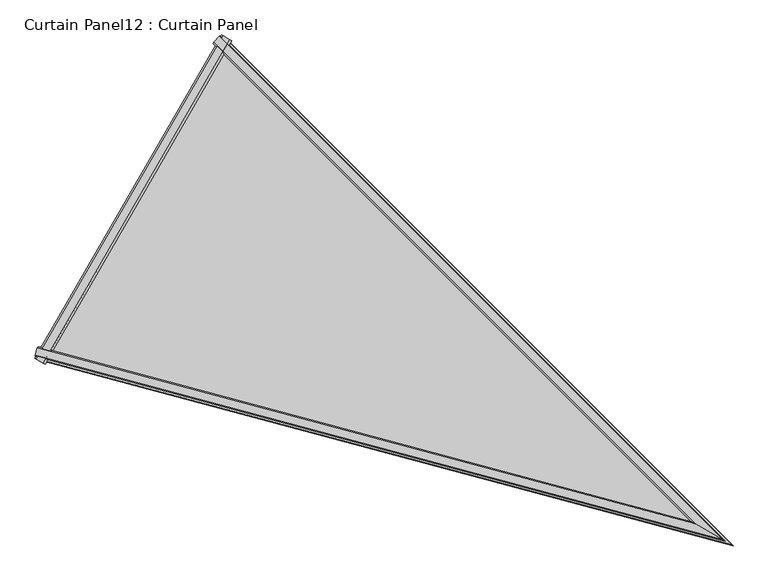
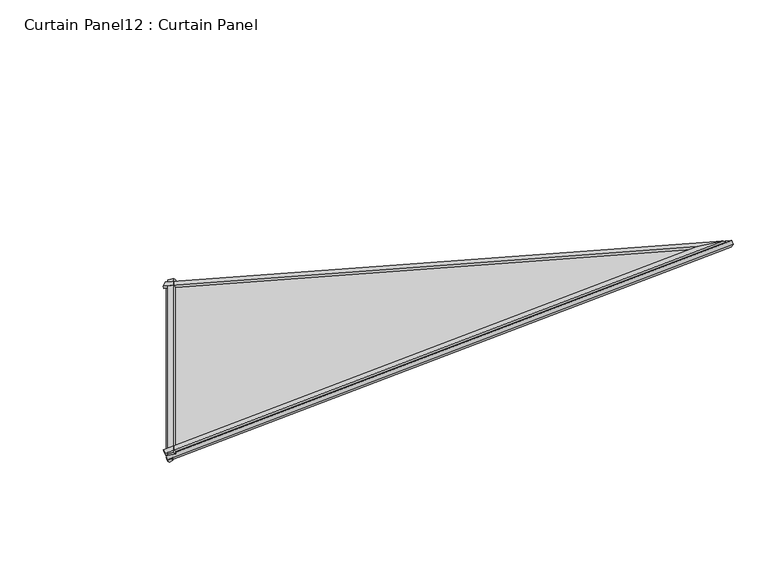
"""IFC4 building model written with IfcOpenShell, lengths in millimetres: plate geometry, Curtain Panel12 : Curtain Panel."""

import ifcopenshell
import ifcopenshell.guid

model = None  # the IFC model being written
_history = None  # IfcOwnerHistory: only IFC2X3 demands one
_inside = {}  # id of a spatial element -> (the spatial element, [elements in it])
_under = {}  # id of a project, library or spatial element -> (it, [spatial elements below it])
_declared = {}  # id of a project -> (the project, [libraries it declares])
_typed = {}  # id of a type object -> (the type object, [elements of that type])
_made_of = {}  # id of a material, layer set ... -> (it, [elements and type objects made of it])


def new_model(schema):
    """Start an empty IFC model of exactly this schema.

    Asked for "IFC4X3", IfcOpenShell would pick the latest addendum, in which some entities
    have other attributes; the version numbers below select the first issue.
    IFC2X3 requires an IfcOwnerHistory on every rooted entity: one is made here for all.
    """
    global model, _history
    if schema == "IFC4X3":
        model = ifcopenshell.file(schema_version=(4, 3, 0, 0))
    else:
        model = ifcopenshell.file(schema=schema)
    _inside.clear()
    _under.clear()
    _declared.clear()
    _typed.clear()
    _made_of.clear()
    _history = None
    if model.schema == "IFC2X3":
        org = make("IfcOrganization", Name="unknown")
        user = make(
            "IfcPersonAndOrganization",
            ThePerson=make("IfcPerson", FamilyName="unknown"),
            TheOrganization=org,
        )
        app = make(
            "IfcApplication",
            ApplicationDeveloper=org,
            Version="unknown",
            ApplicationFullName="unknown",
            ApplicationIdentifier="unknown",
        )
        _history = make(
            "IfcOwnerHistory",
            OwningUser=user,
            OwningApplication=app,
            ChangeAction="ADDED",
            CreationDate=0,
        )
    return model


def make(cls, **values):
    """One entity of the class cls with the attributes given. An attribute that is None is left unset."""
    return model.create_entity(
        cls, **{name: value for name, value in values.items() if value is not None}
    )


def rooted(cls, **values):
    """An entity with a GlobalId (a new one), such as an element, a storey or a relation."""
    return make(cls, GlobalId=ifcopenshell.guid.new(), OwnerHistory=_history, **values)


def si_unit(unit_type, name, prefix=None):
    """IfcSIUnit, for example si_unit("LENGTHUNIT", "METRE", prefix="MILLI")."""
    return make("IfcSIUnit", UnitType=unit_type, Prefix=prefix, Name=name)


def assignment(units):
    """IfcUnitAssignment: the units of a project."""
    return None if units is None else make("IfcUnitAssignment", Units=units)


def point(xyz):
    """IfcCartesianPoint."""
    return None if xyz is None else make("IfcCartesianPoint", Coordinates=xyz)


def direction(xyz):
    """IfcDirection."""
    return None if xyz is None else make("IfcDirection", DirectionRatios=xyz)


def frame(location, z_axis=None, x_axis=None):
    """IfcAxis2Placement3D, a coordinate frame: its origin and axes. An axis left out is left unset."""
    return make(
        "IfcAxis2Placement3D",
        Location=point(location),
        Axis=direction(z_axis),
        RefDirection=direction(x_axis),
    )


def origin():
    """The frame at (0, 0, 0) with its axes left unset."""
    return frame((0.0, 0.0, 0.0))


def place(relative_to, where):
    """IfcLocalPlacement: puts the frame where relative to a parent placement (None: the world)."""
    return make(
        "IfcLocalPlacement", PlacementRelTo=relative_to, RelativePlacement=where
    )


def context(
    kind, dimensions, precision=None, world=None, true_north=None, identifier=None
):
    """IfcGeometricRepresentationContext, for example the 3D "Model" context."""
    return make(
        "IfcGeometricRepresentationContext",
        ContextIdentifier=identifier,
        ContextType=kind,
        CoordinateSpaceDimension=dimensions,
        Precision=precision,
        WorldCoordinateSystem=world,
        TrueNorth=true_north,
    )


def project(units=None, contexts=None):
    """IfcProject with its units and contexts."""
    return rooted(
        "IfcProject",
        Name="project",
        RepresentationContexts=contexts,
        UnitsInContext=assignment(units),
    )


def spatial(cls, under=None, at=None, **own):
    """A site, building, storey or space (cls), placed at a placement, below another one or the project."""
    s = rooted(cls, ObjectPlacement=at, **own)
    if under is not None:
        _under.setdefault(under.id(), (under, []))[1].append(s)
    return s


def polyline(points):
    """IfcPolyline through the points."""
    return make("IfcPolyline", Points=[point(p) for p in points])


def outline(outer, holes=None, kind="AREA"):
    """IfcArbitraryClosedProfileDef: a profile drawn as a closed curve; with holes, ...WithVoids."""
    if holes is None:
        return make("IfcArbitraryClosedProfileDef", ProfileType=kind, OuterCurve=outer)
    return make(
        "IfcArbitraryProfileDefWithVoids",
        ProfileType=kind,
        OuterCurve=outer,
        InnerCurves=holes,
    )


def extrude(swept, where, along, depth):
    """IfcExtrudedAreaSolid: the profile swept, set in the frame where, extruded along a direction by depth."""
    return make(
        "IfcExtrudedAreaSolid",
        SweptArea=swept,
        Position=where,
        ExtrudedDirection=direction(along),
        Depth=depth,
    )


def faces_of(points, faces, orient=None, outer=None):
    """IfcFace entities. A face is a list of loops; a loop is a list of indices into points, from 0.

    orient and outer hold one flag for each loop. By default every Orientation is true, the
    first loop of a face is its IfcFaceOuterBound and the others are IfcFaceBound.
    """
    made = []
    for i, loops in enumerate(faces):
        bounds = []
        for j, loop in enumerate(loops):
            is_outer = j == 0 if outer is None else outer[i][j]
            bounds.append(
                make(
                    "IfcFaceOuterBound" if is_outer else "IfcFaceBound",
                    Bound=make("IfcPolyLoop", Polygon=[points[k] for k in loop]),
                    Orientation=True if orient is None else orient[i][j],
                )
            )
        made.append(make("IfcFace", Bounds=bounds))
    return made


def faceted_brep(points, faces, orient=None, outer=None, voids=None):
    """IfcFacetedBrep: a solid bounded by flat faces; with voids (closed shells), ...WithVoids."""
    shared = [point(p) for p in points]
    hull = make("IfcClosedShell", CfsFaces=faces_of(shared, faces, orient, outer))
    if voids is None:
        return make("IfcFacetedBrep", Outer=hull)
    return make(
        "IfcFacetedBrepWithVoids",
        Outer=hull,
        Voids=[
            make(cls, CfsFaces=faces_of(shared, fs, o, b)) for cls, fs, o, b in voids
        ],
    )


def shape(context_of_items, identifier, shape_type, items):
    """IfcShapeRepresentation: the items that make up one representation, for example the "Body"."""
    return make(
        "IfcShapeRepresentation",
        ContextOfItems=context_of_items,
        RepresentationIdentifier=identifier,
        RepresentationType=shape_type,
        Items=items,
    )


def source(mapping_origin, context_of_items, identifier, shape_type, items):
    """IfcRepresentationMap: a shape defined once, which mapped items show again and again."""
    return make(
        "IfcRepresentationMap",
        MappingOrigin=mapping_origin,
        MappedRepresentation=shape(context_of_items, identifier, shape_type, items),
    )


def transform(
    local_origin,
    x_axis=None,
    y_axis=None,
    z_axis=None,
    scale=None,
    scale2=None,
    scale3=None,
    uniform=True,
):
    """IfcCartesianTransformationOperator3D, or its non-uniform kind. x_axis, y_axis, z_axis: its Axis1, 2, 3."""
    if uniform:
        return make(
            "IfcCartesianTransformationOperator3D",
            Axis1=direction(x_axis),
            Axis2=direction(y_axis),
            LocalOrigin=point(local_origin),
            Scale=scale,
            Axis3=direction(z_axis),
        )
    return make(
        "IfcCartesianTransformationOperator3DnonUniform",
        Axis1=direction(x_axis),
        Axis2=direction(y_axis),
        LocalOrigin=point(local_origin),
        Scale=scale,
        Axis3=direction(z_axis),
        Scale2=scale2,
        Scale3=scale3,
    )


def mapped(mapping_source, mapping_target):
    """IfcMappedItem: shows the shape of a source again, moved by a transform."""
    return make(
        "IfcMappedItem", MappingSource=mapping_source, MappingTarget=mapping_target
    )


def made_of(thing, what):
    """Note that an element or type object is made of a material, layer set ...; save() writes the relation."""
    if what is not None:
        _made_of.setdefault(what.id(), (what, []))[1].append(thing)
    return thing


def element(
    cls,
    number,
    at=None,
    inside=None,
    cuts=None,
    type_object=None,
    material=None,
    context=None,
    identifier="Body",
    shape_type=None,
    held_by="IfcProductDefinitionShape",
    body=None,
    shapes=None,
    **own,
):
    """One element of the class cls, such as IfcWall. Its Tag is "e" and its number.

    at: its placement. inside: the storey or other place that contains it. cuts: it is an
    opening in that element (IfcRelVoidsElement). A single representation is given by context,
    identifier, shape_type and body (its items); several are given by shapes. held_by: the class
    of the entity that holds the representations. save() writes the other relations.
    """
    e = rooted(cls, Tag="e%d" % number, ObjectPlacement=at, **own)
    if body is not None:
        shapes = [shape(context, identifier, shape_type, body)]
    if shapes is not None:
        e.Representation = make(held_by, Representations=shapes)
    if inside is not None:
        _inside.setdefault(inside.id(), (inside, []))[1].append(e)
    if cuts is not None:
        rooted(
            "IfcRelVoidsElement", RelatingBuildingElement=cuts, RelatedOpeningElement=e
        )
    if type_object is not None:
        _typed.setdefault(type_object.id(), (type_object, []))[1].append(e)
    return made_of(e, material)


def aggregate(whole, parts):
    """IfcRelAggregates: a whole, such as a stair, and the parts it consists of."""
    return rooted("IfcRelAggregates", RelatingObject=whole, RelatedObjects=parts)


def save(model, path):
    """Write the relations noted so far, then the file.

    IfcRelAggregates (storeys below a building ...), IfcRelContainedInSpatialStructure (elements
    in a storey), IfcRelDefinesByType, IfcRelAssociatesMaterial and IfcRelDeclares: one each for
    every whole, place, type object, material and project.
    """
    for whole, parts in _under.values():
        aggregate(whole, parts)
    for where, things in _inside.values():
        rooted(
            "IfcRelContainedInSpatialStructure",
            RelatedElements=things,
            RelatingStructure=where,
        )
    for kind, things in _typed.values():
        rooted("IfcRelDefinesByType", RelatedObjects=things, RelatingType=kind)
    for what, things in _made_of.values():
        rooted("IfcRelAssociatesMaterial", RelatedObjects=things, RelatingMaterial=what)
    for by, libraries in _declared.values():
        rooted("IfcRelDeclares", RelatingContext=by, RelatedDefinitions=libraries)
    model.write(path)


def curtain_panel12_curtain_panel_de9fddae(model_context):
    return source(origin(), model_context, "Body", "SolidModel", [
        faceted_brep([(-13656.2939611, -13275.2394997, 3578.1302173), (-13654.3304705, -13273.3634087, 3572.8645255), (-13660.0104175, -13293.1327933, 3574.2420216), (-13660.8516683, -13291.2403941, 3579.102691), (-13299.1672493, -12656.6778902, 3578.1302173), (-13287.588922, -12644.7303528, 3579.102691), (-13285.5294307, -12644.5126978, 3574.2420216), (-13299.8102465, -12659.3163684, 3572.8645255), (-12323.3414545, -13632.4455819, 3947.8990303), (-12331.106512, -13627.9624239, 3939.9345824), (-12262.2841946, -13667.6970073, 3961.9794419), (-12267.6724494, -13664.586097, 3965.5787458)], [[[0, 1, 2, 3]], [[4, 5, 6, 7]], [[1, 0, 8, 9]], [[2, 1, 9, 7, 6, 10]], [[3, 2, 10, 11]], [[0, 3, 11, 8]], [[9, 8, 4, 7]], [[11, 10, 6, 5]], [[8, 11, 5, 4]]]),
        faceted_brep([(-13653.5424043, -13286.7583022, 3557.0838754), (-13656.4941636, -13297.7731938, 3557.0837905), (-13658.0857607, -13298.4573033, 3562.1603555), (-13654.3153791, -13285.3342715, 3561.2459656), (-13287.8158954, -12653.301407, 3557.0838754), (-13289.4356295, -12653.3440066, 3561.2459656), (-13279.9559415, -12643.5172444, 3562.1603555), (-13279.7525991, -12645.2376628, 3557.0837905), (-12288.4917073, -13652.5660928, 3935.7569139), (-12250.3304794, -13674.598488, 3947.1618119), (-12246.7405048, -13676.6711608, 3953.6757751), (-12292.425157, -13650.2951146, 3939.0422699)], [[[0, 1, 2, 3]], [[4, 5, 6, 7]], [[1, 0, 8, 9]], [[2, 1, 9, 10]], [[3, 2, 10, 6, 5, 11]], [[0, 3, 11, 8]], [[9, 8, 4, 7]], [[10, 9, 7, 6]], [[8, 11, 5, 4]]]),
        extrude(outline(polyline([(22.7899815, 21.8121329), (22.6435768, 5.1470321), (17.5121094, 3.8888482), (17.5121094, 24.5040818), (22.7899815, 21.8121329)])), frame((-13657.0080292, -13299.1681886, 3557.627004), z_axis=(0.4999999999999979, 0.8660254037844398, 0.0), x_axis=(-0.2314947914883293, 0.13365358018178172, 0.9636113749942801)), (0.0, 0.0, 1.0), 756.4529741),
        extrude(outline(polyline([(0.2321332, 12.9102296), (4.7128906, 13.8048895), (4.7128907, 0.1203782), (-2.7420017, 2.1882704), (0.2321332, 12.9102296)])), frame((-13657.0080292, -13299.1681886, 3557.627004), z_axis=(0.4999999999999979, 0.8660254037844398, 0.0), x_axis=(-0.2314947914883293, 0.13365358018178172, 0.9636113749942801)), (0.0, 0.0, 1.0), 756.4529741),
        extrude(outline(polyline([(-45.1037719, 0.0), (-1369.1561396, -732.4764087), (-1558.2582127, 0.0), (-45.1037719, 0.0)])), frame((-12215.5312821, -13707.7086977, 3965.4783033), z_axis=(-0.23149479148832933, 0.13365358018178175, 0.9636113749942802), x_axis=(0.6830326713643052, -0.6829920018679463, 0.2588209713940436)), (0.0, 0.0, 1.0), 12.7992188),
    ])


if __name__ == "__main__":
    model = new_model("IFC4")
    model_context = context("Model", 3, world=origin())
    ifc_project = project(units=[si_unit("LENGTHUNIT", "METRE", prefix="MILLI")], contexts=[model_context])
    site = spatial("IfcSite", under=ifc_project)
    building = spatial("IfcBuilding", under=site)
    placement = place(None, origin())
    curtain_panel12_curtain_panel_shape = curtain_panel12_curtain_panel_de9fddae(model_context)
    element("IfcPlate", 1, ObjectType="Curtain Panel12 : Curtain Panel", at=placement, inside=building, context=model_context, shape_type="MappedRepresentation", body=[
        mapped(curtain_panel12_curtain_panel_shape, transform((0.0, 0.0, 0.0), x_axis=(1.0, 0.0, 0.0), y_axis=(0.0, 1.0, 0.0), z_axis=(0.0, 0.0, 1.0))),
    ])
    save(model, "model.ifc")
